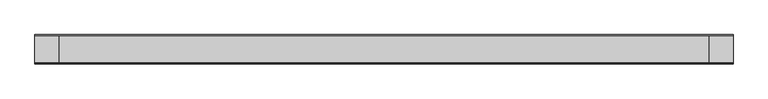
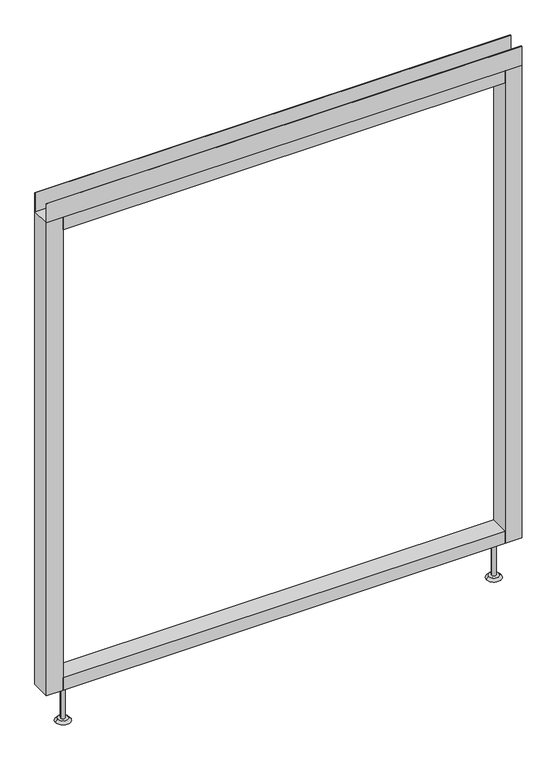
"""IFC4 building model written with IfcOpenShell, lengths in millimetres: furniture geometry."""

from ifc_helpers import new_model, si_unit, point, frame, frame_2d, origin, place, context, project, spatial, polyline, circle_curve, trimmed, segment, composite_curve, outline, extrude, source, transform, mapped, element, save
from ifc_brep_helpers import plane_surface, revolved_surface, advanced_brep


def furniture_98c47545(model_context):
    return source(origin(), model_context, "Body", "SolidModel", [
        advanced_brep(
        [(539.75, 0.0, 6.35), (565.15, 0.0, 6.35), (533.4, 0.0, 0.0), (571.5, 0.0, 0.0)],
        [
            (0, 1, circle_curve(frame((552.45, 0.0, 6.35), z_axis=(0.0, 0.0, 1.0), x_axis=(-1.0, 0.0, 0.0)), 12.7)),
            (1, 0, circle_curve(frame((552.45, 0.0, 6.35), z_axis=(0.0, 0.0, 1.0), x_axis=(1.0, 0.0, 0.0)), 12.7)),
            (2, 3, circle_curve(frame((552.45, 0.0, 0.0), z_axis=(0.0, 0.0, -1.0), x_axis=(1.0, 0.0, 0.0)), 19.05)),
            (3, 2, circle_curve(frame((552.45, 0.0, 0.0), z_axis=(0.0, 0.0, -1.0), x_axis=(-1.0, 0.0, 0.0)), 19.05)),
            (3, 1),
            (0, 2),
        ],
        [
            plane_surface(frame((552.45, 0.0, 6.35), z_axis=(0.0, 0.0, 1.0), x_axis=(0.0, -1.0, 0.0))),
            plane_surface(frame((552.45, 0.0, 0.0), z_axis=(0.0, 0.0, -1.0), x_axis=(0.0, -1.0, 0.0))),
            revolved_surface(polyline([(539.75, 0.0, 6.35), (533.4, 0.0, 0.0)]), (552.45, 0.0, 19.05), (0.0, 0.0, -1.0)),
            revolved_surface(polyline([(565.15, 0.0, 6.35), (571.5, 0.0, 0.0)]), (552.45, 0.0, 19.05), (0.0, 0.0, -1.0)),
        ],
        [
            (0, [[1, 2]]),
            (1, [[3, 4]]),
            (2, [[-4, 5, -1, 6]]),
            (3, [[-3, -6, -2, -5]]),
        ],
    ),
        advanced_brep(
        [(-565.15, 0.0, 6.35), (-539.75, 0.0, 6.35), (-571.5, 0.0, 0.0), (-533.4, 0.0, 0.0)],
        [
            (0, 1, circle_curve(frame((-552.45, 0.0, 6.35), z_axis=(0.0, 0.0, 1.0), x_axis=(-1.0, 0.0, 0.0)), 12.7)),
            (1, 0, circle_curve(frame((-552.45, 0.0, 6.35), z_axis=(0.0, 0.0, 1.0), x_axis=(1.0, 0.0, 0.0)), 12.7)),
            (2, 3, circle_curve(frame((-552.45, 0.0, 0.0), z_axis=(0.0, 0.0, -1.0), x_axis=(1.0, 0.0, 0.0)), 19.05)),
            (3, 2, circle_curve(frame((-552.45, 0.0, 0.0), z_axis=(0.0, 0.0, -1.0), x_axis=(-1.0, 0.0, 0.0)), 19.05)),
            (3, 1),
            (0, 2),
        ],
        [
            plane_surface(frame((-552.45, 0.0, 6.35), z_axis=(0.0, 0.0, 1.0), x_axis=(0.0, -1.0, 0.0))),
            plane_surface(frame((-552.45, 0.0, 0.0), z_axis=(0.0, 0.0, -1.0), x_axis=(0.0, -1.0, 0.0))),
            revolved_surface(polyline([(-565.15, 0.0, 6.35), (-571.5, 0.0, 0.0)]), (-552.45, 0.0, 19.05), (0.0, 0.0, -1.0)),
            revolved_surface(polyline([(-539.75, 0.0, 6.35), (-533.4, 0.0, 0.0)]), (-552.45, 0.0, 19.05), (0.0, 0.0, -1.0)),
        ],
        [
            (0, [[1, 2]]),
            (1, [[3, 4]]),
            (2, [[-4, 5, -1, 6]]),
            (3, [[-3, -6, -2, -5]]),
        ],
    ),
        extrude(outline(polyline([(609.6, -23.8125), (609.6, -25.4), (-609.6, -25.4), (-609.6, -23.8125), (609.6, -23.8125)])), frame((0.0, 0.0, 1381.633), z_axis=(0.0, 0.0, 1.0), x_axis=(1.0, 0.0, 0.0)), (0.0, 0.0, 1.0), 51.435),
        extrude(outline(polyline([(609.6, 25.4), (609.6, 23.8125), (-609.6, 23.8125), (-609.6, 25.4), (609.6, 25.4)])), frame((0.0, 0.0, 1381.633), z_axis=(0.0, 0.0, 1.0), x_axis=(1.0, 0.0, 0.0)), (0.0, 0.0, 1.0), 51.435),
        extrude(outline(polyline([(566.7375, -25.4), (-566.7375, -25.4), (-566.7375, 25.4), (566.7375, 25.4), (566.7375, -25.4)])), frame((0.0, 0.0, 1348.74), z_axis=(0.0, 0.0, 1.0), x_axis=(1.0, 0.0, 0.0)), (0.0, 0.0, 1.0), 32.893),
        extrude(outline(polyline([(566.7375, -25.4), (-566.7375, -25.4), (-566.7375, 25.4), (566.7375, 25.4), (566.7375, -25.4)])), frame((0.0, 0.0, 101.6), z_axis=(0.0, 0.0, 1.0), x_axis=(1.0, 0.0, 0.0)), (0.0, 0.0, 1.0), 32.893),
        extrude(outline(composite_curve([segment(trimmed(circle_curve(frame_2d((-552.45, 0.0)), 5.55625), [point((-558.00625, 0.0))], [point((-546.89375, 0.0))], False, "CARTESIAN"), True, "CONTINUOUS"), segment(trimmed(circle_curve(frame_2d((-552.45, 0.0)), 5.55625), [point((-546.89375, 0.0))], [point((-558.00625, 0.0))], False, "CARTESIAN"), True, "CONTINUOUS")], self_intersect=False)), frame((0.0, 0.0, 6.35), z_axis=(0.0, 0.0, 1.0), x_axis=(1.0, 0.0, 0.0)), (0.0, 0.0, 1.0), 95.25),
        extrude(outline(composite_curve([segment(trimmed(circle_curve(frame_2d((552.45, 0.0)), 5.55625), [point((546.89375, 0.0))], [point((558.00625, 0.0))], False, "CARTESIAN"), True, "CONTINUOUS"), segment(trimmed(circle_curve(frame_2d((552.45, 0.0)), 5.55625), [point((558.00625, 0.0))], [point((546.89375, 0.0))], False, "CARTESIAN"), True, "CONTINUOUS")], self_intersect=False)), frame((0.0, 0.0, 6.35), z_axis=(0.0, 0.0, 1.0), x_axis=(1.0, 0.0, 0.0)), (0.0, 0.0, 1.0), 95.25),
        extrude(outline(polyline([(-566.7375, -25.4), (-609.6, -25.4), (-609.6, 25.4), (-566.7375, 25.4), (-566.7375, -25.4)])), frame((0.0, 0.0, 101.6), z_axis=(0.0, 0.0, 1.0), x_axis=(1.0, 0.0, 0.0)), (0.0, 0.0, 1.0), 1280.033),
        extrude(outline(polyline([(609.6, -25.4), (566.7375, -25.4), (566.7375, 25.4), (609.6, 25.4), (609.6, -25.4)])), frame((0.0, 0.0, 101.6), z_axis=(0.0, 0.0, 1.0), x_axis=(1.0, 0.0, 0.0)), (0.0, 0.0, 1.0), 1280.033),
    ])


if __name__ == "__main__":
    model = new_model("IFC4")
    model_context = context("Model", 3, world=origin())
    ifc_project = project(units=[si_unit("LENGTHUNIT", "METRE", prefix="MILLI")], contexts=[model_context])
    site = spatial("IfcSite", under=ifc_project)
    building = spatial("IfcBuilding", under=site)
    placement = place(None, origin())
    furniture_shape = furniture_98c47545(model_context)
    element("IfcFurniture", 1, at=placement, inside=building, context=model_context, shape_type="MappedRepresentation", body=[
        mapped(furniture_shape, transform((0.0, 0.0, 0.0), x_axis=(1.0, 0.0, 0.0), y_axis=(0.0, 1.0, 0.0), z_axis=(0.0, 0.0, 1.0))),
    ])
    save(model, "model.ifc")
